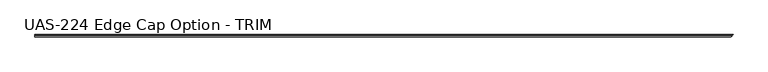
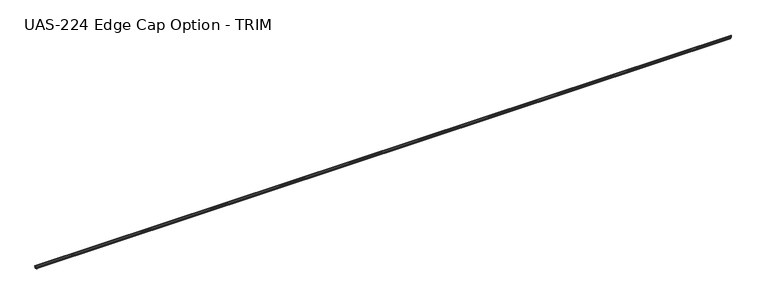
"""IFC4 building model written with IfcOpenShell, lengths in millimetres: proxy geometry, UAS-224 Edge Cap Option - TRIM."""

import ifcopenshell
import ifcopenshell.guid

model = None  # the IFC model being written
_history = None  # IfcOwnerHistory: only IFC2X3 demands one
_inside = {}  # id of a spatial element -> (the spatial element, [elements in it])
_under = {}  # id of a project, library or spatial element -> (it, [spatial elements below it])
_declared = {}  # id of a project -> (the project, [libraries it declares])
_typed = {}  # id of a type object -> (the type object, [elements of that type])
_made_of = {}  # id of a material, layer set ... -> (it, [elements and type objects made of it])


def new_model(schema):
    """Start an empty IFC model of exactly this schema.

    Asked for "IFC4X3", IfcOpenShell would pick the latest addendum, in which some entities
    have other attributes; the version numbers below select the first issue.
    IFC2X3 requires an IfcOwnerHistory on every rooted entity: one is made here for all.
    """
    global model, _history
    if schema == "IFC4X3":
        model = ifcopenshell.file(schema_version=(4, 3, 0, 0))
    else:
        model = ifcopenshell.file(schema=schema)
    _inside.clear()
    _under.clear()
    _declared.clear()
    _typed.clear()
    _made_of.clear()
    _history = None
    if model.schema == "IFC2X3":
        org = make("IfcOrganization", Name="unknown")
        user = make(
            "IfcPersonAndOrganization",
            ThePerson=make("IfcPerson", FamilyName="unknown"),
            TheOrganization=org,
        )
        app = make(
            "IfcApplication",
            ApplicationDeveloper=org,
            Version="unknown",
            ApplicationFullName="unknown",
            ApplicationIdentifier="unknown",
        )
        _history = make(
            "IfcOwnerHistory",
            OwningUser=user,
            OwningApplication=app,
            ChangeAction="ADDED",
            CreationDate=0,
        )
    return model


def make(cls, **values):
    """One entity of the class cls with the attributes given. An attribute that is None is left unset."""
    return model.create_entity(
        cls, **{name: value for name, value in values.items() if value is not None}
    )


def rooted(cls, **values):
    """An entity with a GlobalId (a new one), such as an element, a storey or a relation."""
    return make(cls, GlobalId=ifcopenshell.guid.new(), OwnerHistory=_history, **values)


def si_unit(unit_type, name, prefix=None):
    """IfcSIUnit, for example si_unit("LENGTHUNIT", "METRE", prefix="MILLI")."""
    return make("IfcSIUnit", UnitType=unit_type, Prefix=prefix, Name=name)


def assignment(units):
    """IfcUnitAssignment: the units of a project."""
    return None if units is None else make("IfcUnitAssignment", Units=units)


def point(xyz):
    """IfcCartesianPoint."""
    return None if xyz is None else make("IfcCartesianPoint", Coordinates=xyz)


def direction(xyz):
    """IfcDirection."""
    return None if xyz is None else make("IfcDirection", DirectionRatios=xyz)


def frame(location, z_axis=None, x_axis=None):
    """IfcAxis2Placement3D, a coordinate frame: its origin and axes. An axis left out is left unset."""
    return make(
        "IfcAxis2Placement3D",
        Location=point(location),
        Axis=direction(z_axis),
        RefDirection=direction(x_axis),
    )


def origin():
    """The frame at (0, 0, 0) with its axes left unset."""
    return frame((0.0, 0.0, 0.0))


def place(relative_to, where):
    """IfcLocalPlacement: puts the frame where relative to a parent placement (None: the world)."""
    return make(
        "IfcLocalPlacement", PlacementRelTo=relative_to, RelativePlacement=where
    )


def context(
    kind, dimensions, precision=None, world=None, true_north=None, identifier=None
):
    """IfcGeometricRepresentationContext, for example the 3D "Model" context."""
    return make(
        "IfcGeometricRepresentationContext",
        ContextIdentifier=identifier,
        ContextType=kind,
        CoordinateSpaceDimension=dimensions,
        Precision=precision,
        WorldCoordinateSystem=world,
        TrueNorth=true_north,
    )


def project(units=None, contexts=None):
    """IfcProject with its units and contexts."""
    return rooted(
        "IfcProject",
        Name="project",
        RepresentationContexts=contexts,
        UnitsInContext=assignment(units),
    )


def spatial(cls, under=None, at=None, **own):
    """A site, building, storey or space (cls), placed at a placement, below another one or the project."""
    s = rooted(cls, ObjectPlacement=at, **own)
    if under is not None:
        _under.setdefault(under.id(), (under, []))[1].append(s)
    return s


def circle_curve(where, radius):
    """IfcCircle in the frame where."""
    return make("IfcCircle", Position=where, Radius=radius)


def ellipse_curve(where, semi_axis1, semi_axis2):
    """IfcEllipse in the frame where."""
    return make(
        "IfcEllipse", Position=where, SemiAxis1=semi_axis1, SemiAxis2=semi_axis2
    )


def shape(context_of_items, identifier, shape_type, items):
    """IfcShapeRepresentation: the items that make up one representation, for example the "Body"."""
    return make(
        "IfcShapeRepresentation",
        ContextOfItems=context_of_items,
        RepresentationIdentifier=identifier,
        RepresentationType=shape_type,
        Items=items,
    )


def source(mapping_origin, context_of_items, identifier, shape_type, items):
    """IfcRepresentationMap: a shape defined once, which mapped items show again and again."""
    return make(
        "IfcRepresentationMap",
        MappingOrigin=mapping_origin,
        MappedRepresentation=shape(context_of_items, identifier, shape_type, items),
    )


def transform(
    local_origin,
    x_axis=None,
    y_axis=None,
    z_axis=None,
    scale=None,
    scale2=None,
    scale3=None,
    uniform=True,
):
    """IfcCartesianTransformationOperator3D, or its non-uniform kind. x_axis, y_axis, z_axis: its Axis1, 2, 3."""
    if uniform:
        return make(
            "IfcCartesianTransformationOperator3D",
            Axis1=direction(x_axis),
            Axis2=direction(y_axis),
            LocalOrigin=point(local_origin),
            Scale=scale,
            Axis3=direction(z_axis),
        )
    return make(
        "IfcCartesianTransformationOperator3DnonUniform",
        Axis1=direction(x_axis),
        Axis2=direction(y_axis),
        LocalOrigin=point(local_origin),
        Scale=scale,
        Axis3=direction(z_axis),
        Scale2=scale2,
        Scale3=scale3,
    )


def mapped(mapping_source, mapping_target):
    """IfcMappedItem: shows the shape of a source again, moved by a transform."""
    return make(
        "IfcMappedItem", MappingSource=mapping_source, MappingTarget=mapping_target
    )


def made_of(thing, what):
    """Note that an element or type object is made of a material, layer set ...; save() writes the relation."""
    if what is not None:
        _made_of.setdefault(what.id(), (what, []))[1].append(thing)
    return thing


def element(
    cls,
    number,
    at=None,
    inside=None,
    cuts=None,
    type_object=None,
    material=None,
    context=None,
    identifier="Body",
    shape_type=None,
    held_by="IfcProductDefinitionShape",
    body=None,
    shapes=None,
    **own,
):
    """One element of the class cls, such as IfcWall. Its Tag is "e" and its number.

    at: its placement. inside: the storey or other place that contains it. cuts: it is an
    opening in that element (IfcRelVoidsElement). A single representation is given by context,
    identifier, shape_type and body (its items); several are given by shapes. held_by: the class
    of the entity that holds the representations. save() writes the other relations.
    """
    e = rooted(cls, Tag="e%d" % number, ObjectPlacement=at, **own)
    if body is not None:
        shapes = [shape(context, identifier, shape_type, body)]
    if shapes is not None:
        e.Representation = make(held_by, Representations=shapes)
    if inside is not None:
        _inside.setdefault(inside.id(), (inside, []))[1].append(e)
    if cuts is not None:
        rooted(
            "IfcRelVoidsElement", RelatingBuildingElement=cuts, RelatedOpeningElement=e
        )
    if type_object is not None:
        _typed.setdefault(type_object.id(), (type_object, []))[1].append(e)
    return made_of(e, material)


def aggregate(whole, parts):
    """IfcRelAggregates: a whole, such as a stair, and the parts it consists of."""
    return rooted("IfcRelAggregates", RelatingObject=whole, RelatedObjects=parts)


def save(model, path):
    """Write the relations noted so far, then the file.

    IfcRelAggregates (storeys below a building ...), IfcRelContainedInSpatialStructure (elements
    in a storey), IfcRelDefinesByType, IfcRelAssociatesMaterial and IfcRelDeclares: one each for
    every whole, place, type object, material and project.
    """
    for whole, parts in _under.values():
        aggregate(whole, parts)
    for where, things in _inside.values():
        rooted(
            "IfcRelContainedInSpatialStructure",
            RelatedElements=things,
            RelatingStructure=where,
        )
    for kind, things in _typed.values():
        rooted("IfcRelDefinesByType", RelatedObjects=things, RelatingType=kind)
    for what, things in _made_of.values():
        rooted("IfcRelAssociatesMaterial", RelatedObjects=things, RelatingMaterial=what)
    for by, libraries in _declared.values():
        rooted("IfcRelDeclares", RelatingContext=by, RelatedDefinitions=libraries)
    model.write(path)


def plane_surface(at):
    """IfcPlane: the flat surface through the origin of the frame at, square to its z axis."""
    return make("IfcPlane", Position=at)


def cylinder_surface(at, radius):
    """IfcCylindricalSurface: all points at the distance radius from the z axis of the frame at."""
    return make("IfcCylindricalSurface", Position=at, Radius=radius)


def advanced_brep(points, edges, surfaces, faces):
    """IfcAdvancedBrep: a solid bounded by faces that lie on surfaces and meet in shared edges.

    An edge is (start, end): straight between two places in points (the first is 0);
    or (start, end, curve); or (start, end, curve, False) where it runs against its curve.
    A face is (place in surfaces, loops), or (place, loops, False) where it looks against
    its surface's normal. A loop lists edges by number (the first is 1), with a minus sign
    where the edge is run from its end to its start. The first loop is the outer one.
    """
    corners = [point(p) for p in points]
    vertices = [make("IfcVertexPoint", VertexGeometry=c) for c in corners]
    made = []
    for start, end, *more in edges:
        made.append(
            make(
                "IfcEdgeCurve",
                EdgeStart=vertices[start],
                EdgeEnd=vertices[end],
                EdgeGeometry=more[0] if more else make("IfcPolyline", Points=[corners[start], corners[end]]),
                SameSense=more[1] if len(more) > 1 else True,
            )
        )
    hull = []
    for where, loops, *sense in faces:
        bounds = []
        for j, loop in enumerate(loops):
            ring = [make("IfcOrientedEdge", EdgeElement=made[abs(k) - 1], Orientation=k > 0) for k in loop]
            bounds.append(
                make(
                    "IfcFaceOuterBound" if j == 0 else "IfcFaceBound",
                    Bound=make("IfcEdgeLoop", EdgeList=ring),
                    Orientation=True,
                )
            )
        hull.append(make("IfcAdvancedFace", Bounds=bounds, FaceSurface=surfaces[where], SameSense=sense[0] if sense else True))
    return make("IfcAdvancedBrep", Outer=make("IfcClosedShell", CfsFaces=hull))


def uas_224_edge_cap_option_trim_392db360(model_context):
    return source(origin(), model_context, "Body", "AdvancedBrep", [
        advanced_brep(
        [(0.0, 9.83615, 14.2875), (0.0, 13.01115, 14.2875), (0.0, 17.4398781, 14.2875), (0.0, 17.4398781, 12.7), (0.0, 12.18565, 12.7), (0.0, 12.18565, 3.175), (0.0, 17.4398781, 3.175), (0.0, 17.4398781, 1.5875), (0.0, 13.01115, 1.5875), (0.0, 9.83615, 1.5875), (0.0, 0.0, 1.5875), (0.0, 0.0, 2.8080426), (0.0, 0.5981599, 3.4062025), (0.0, 1.3929204, 3.4062025), (0.0, 2.1509032, 3.1452081), (0.0, 2.9088859, 3.4062025), (0.0, 3.6668687, 3.1452081), (0.0, 4.4248515, 3.4062025), (0.0, 5.1828342, 3.1452081), (0.0, 5.940817, 3.4062025), (0.0, 6.798801, 3.1452081), (0.0, 7.5567838, 3.4062025), (0.0, 8.316831, 3.175), (0.0, 10.66165, 3.175), (0.0, 10.66165, 6.35), (0.0, 10.9168139, 7.1888169), (0.0, 10.9168139, 8.6861831), (0.0, 10.66165, 9.525), (0.0, 10.66165, 12.7), (0.0, 8.316831, 12.7), (0.0, 7.5567838, 12.4687975), (0.0, 6.798801, 12.7297919), (0.0, 5.940817, 12.4687975), (0.0, 5.1828342, 12.7297919), (0.0, 4.4248515, 12.4687975), (0.0, 3.6668687, 12.7297919), (0.0, 2.9088859, 12.4687975), (0.0, 2.1509032, 12.7297919), (0.0, 1.3929204, 12.4687975), (0.0, 0.5981599, 12.4687975), (0.0, 0.0, 13.0669574), (0.0, 0.0, 14.2875), (5362.0023094, 0.0, 14.2875), (5371.8384594, 9.83615, 14.2875), (5362.0023094, 0.0, 13.0669574), (5362.6004693, 0.5981599, 12.4687975), (5363.3952298, 1.3929204, 12.4687975), (5364.1532125, 2.1509032, 12.7297919), (5364.9111953, 2.9088859, 12.4687975), (5365.6691781, 3.6668687, 12.7297919), (5366.4271608, 4.4248515, 12.4687975), (5367.1851436, 5.1828342, 12.7297919), (5367.9431264, 5.940817, 12.4687975), (5368.8011104, 6.798801, 12.7297919), (5369.5590932, 7.5567838, 12.4687975), (5370.3191404, 8.316831, 12.7), (5372.6639594, 10.66165, 12.7), (5372.6639594, 10.66165, 9.525), (5372.9191232, 10.9168139, 8.6861831), (5372.9191232, 10.9168139, 7.1888169), (5372.6639594, 10.66165, 6.35), (5372.6639594, 10.66165, 3.175), (5370.3191404, 8.316831, 3.175), (5369.5590932, 7.5567838, 3.4062025), (5368.8011104, 6.798801, 3.1452081), (5367.9431264, 5.940817, 3.4062025), (5367.1851436, 5.1828342, 3.1452081), (5366.4271608, 4.4248515, 3.4062025), (5365.6691781, 3.6668687, 3.1452081), (5364.9111953, 2.9088859, 3.4062025), (5364.1532125, 2.1509032, 3.1452081), (5363.3952298, 1.3929204, 3.4062025), (5362.6004693, 0.5981599, 3.4062025), (5362.0023094, 0.0, 2.8080426), (5362.0023094, 0.0, 1.5875), (5371.8384594, 9.83615, 1.5875), (5375.0134594, 13.01115, 1.5875), (5373.4259594, 11.42365, 0.0), (5379.4421875, 17.4398781, 1.5875), (5379.4421875, 17.4398781, 3.175), (5374.1879594, 12.18565, 3.175), (5374.1879594, 12.18565, 12.7), (5379.4421875, 17.4398781, 12.7), (5379.4421875, 17.4398781, 14.2875), (5375.0134594, 13.01115, 14.2875)],
        [
            (0, 1, circle_curve(frame((0.0, 11.42365, 14.2875), z_axis=(-1.0, 0.0, 0.0), x_axis=(0.0, 1.0, 0.0)), 1.5875)),
            (1, 2),
            (2, 3),
            (3, 4),
            (4, 5),
            (5, 6),
            (6, 7),
            (7, 8),
            (8, 9, circle_curve(frame((0.0, 11.42365, 1.5875), z_axis=(-1.0, 0.0, 0.0), x_axis=(0.0, 1.0, 0.0)), 1.5875)),
            (9, 10),
            (10, 11),
            (11, 12, circle_curve(frame((0.0, 0.5981599, 2.8080426), z_axis=(-1.0, 0.0, 0.0), x_axis=(0.0, 1.0, 0.0)), 0.5981599)),
            (12, 13),
            (13, 14),
            (14, 15),
            (15, 16),
            (16, 17),
            (17, 18),
            (18, 19),
            (19, 20),
            (20, 21),
            (21, 22),
            (22, 23),
            (23, 24),
            (24, 25),
            (25, 26),
            (26, 27),
            (27, 28),
            (28, 29),
            (29, 30),
            (30, 31),
            (31, 32),
            (32, 33),
            (33, 34),
            (34, 35),
            (35, 36),
            (36, 37),
            (37, 38),
            (38, 39),
            (39, 40, circle_curve(frame((0.0, 0.5981599, 13.0669574), z_axis=(-1.0, 0.0, 0.0), x_axis=(0.0, 1.0, 0.0)), 0.5981599)),
            (40, 41),
            (41, 0),
            (41, 42),
            (42, 43),
            (43, 0),
            (40, 44),
            (44, 42),
            (39, 45),
            (45, 44, ellipse_curve(frame((5362.6004693, 0.5981599, 13.0669574), z_axis=(-0.707106781186549, 0.7071067811865461, 0.0), x_axis=(0.7071067811865459, 0.707106781186549, 0.0)), 0.8459259, 0.5981599)),
            (38, 46),
            (46, 45),
            (37, 47),
            (47, 46),
            (36, 48),
            (48, 47),
            (35, 49),
            (49, 48),
            (34, 50),
            (50, 49),
            (33, 51),
            (51, 50),
            (32, 52),
            (52, 51),
            (31, 53),
            (53, 52),
            (30, 54),
            (54, 53),
            (29, 55),
            (55, 54),
            (28, 56),
            (56, 55),
            (27, 57),
            (57, 56),
            (26, 58),
            (58, 57),
            (25, 59),
            (59, 58),
            (24, 60),
            (60, 59),
            (23, 61),
            (61, 60),
            (22, 62),
            (62, 61),
            (21, 63),
            (63, 62),
            (20, 64),
            (64, 63),
            (19, 65),
            (65, 64),
            (18, 66),
            (66, 65),
            (17, 67),
            (67, 66),
            (16, 68),
            (68, 67),
            (15, 69),
            (69, 68),
            (14, 70),
            (70, 69),
            (13, 71),
            (71, 70),
            (12, 72),
            (72, 71),
            (11, 73),
            (73, 72, ellipse_curve(frame((5362.6004693, 0.5981599, 2.8080426), z_axis=(-0.707106781186549, 0.7071067811865461, 0.0), x_axis=(0.7071067811865459, 0.707106781186549, 0.0)), 0.8459259, 0.5981599)),
            (10, 74),
            (74, 73),
            (9, 75),
            (75, 74),
            (8, 76),
            (76, 77, ellipse_curve(frame((5373.4259594, 11.42365, 1.5875), z_axis=(-0.707106781186549, 0.7071067811865461, 0.0), x_axis=(0.7071067811865459, 0.707106781186549, 0.0)), 2.245064, 1.5875)),
            (77, 75, ellipse_curve(frame((5373.4259594, 11.42365, 1.5875), z_axis=(-0.707106781186549, 0.7071067811865461, 0.0), x_axis=(0.7071067811865459, 0.707106781186549, 0.0)), 2.245064, 1.5875)),
            (7, 78),
            (78, 76),
            (6, 79),
            (79, 78),
            (5, 80),
            (80, 79),
            (4, 81),
            (81, 80),
            (3, 82),
            (82, 81),
            (2, 83),
            (83, 82),
            (1, 84),
            (84, 83),
            (43, 84, ellipse_curve(frame((5373.4259594, 11.42365, 14.2875), z_axis=(-0.707106781186549, 0.7071067811865461, 0.0), x_axis=(0.7071067811865459, 0.707106781186549, 0.0)), 2.245064, 1.5875)),
        ],
        [
            plane_surface(frame((0.0, 13.01115, 14.2875), z_axis=(-1.0, 0.0, 0.0), x_axis=(0.0, 0.0, 1.0))),
            plane_surface(frame((5379.4421875, 0.0, 14.2875), z_axis=(0.0, 1.1740124689071009e-12, 1.0), x_axis=(-1.0, 0.0, 0.0))),
            plane_surface(frame((5379.4421875, 0.0, 13.0669574), z_axis=(0.0, -1.0, 0.0), x_axis=(-1.0, 0.0, 0.0))),
            cylinder_surface(frame((0.0, 0.5981599, 13.0669574), z_axis=(1.0, 0.0, 0.0), x_axis=(0.0, 1.0, 0.0)), 0.5981599),
            plane_surface(frame((5379.4421875, 1.3929204, 12.4687975), z_axis=(0.0, 0.0, -1.0), x_axis=(-1.0, 0.0, 0.0))),
            plane_surface(frame((5379.4421875, 2.1509032, 12.7297919), z_axis=(0.0, 0.32556815445715337, -0.945518575599318), x_axis=(-1.0, 0.0, 0.0))),
            plane_surface(frame((5379.4421875, 2.9088859, 12.4687975), z_axis=(0.0, -0.3255681544571601, -0.9455185755993156), x_axis=(-1.0, 0.0, 0.0))),
            plane_surface(frame((5379.4421875, 3.6668687, 12.7297919), z_axis=(0.0, 0.3255681544571535, -0.945518575599318), x_axis=(-1.0, 0.0, 0.0))),
            plane_surface(frame((5379.4421875, 4.4248515, 12.4687975), z_axis=(0.0, -0.3255681544571602, -0.9455185755993156), x_axis=(-1.0, 0.0, 0.0))),
            plane_surface(frame((5379.4421875, 5.1828342, 12.7297919), z_axis=(0.0, 0.32556815445715653, -0.945518575599317), x_axis=(-1.0, 0.0, 0.0))),
            plane_surface(frame((5379.4421875, 5.940817, 12.4687975), z_axis=(0.0, -0.32556815445716, -0.9455185755993156), x_axis=(-1.0, 0.0, 0.0))),
            plane_surface(frame((5379.4421875, 6.798801, 12.7297919), z_axis=(0.0, 0.29102774283877636, -0.9567146141343128), x_axis=(-1.0, 0.0, 0.0))),
            plane_surface(frame((5379.4421875, 7.5567838, 12.4687975), z_axis=(0.0, -0.32556815445716, -0.9455185755993156), x_axis=(-1.0, 0.0, 0.0))),
            plane_surface(frame((5379.4421875, 8.316831, 12.7), z_axis=(0.0, 0.2910277428387799, -0.9567146141343118), x_axis=(-1.0, 0.0, 0.0))),
            plane_surface(frame((5379.4421875, 10.66165, 12.7), z_axis=(0.0, 0.0, -1.0), x_axis=(-1.0, 0.0, 0.0))),
            plane_surface(frame((5379.4421875, 10.66165, 9.525), z_axis=(0.0, -1.0, 0.0), x_axis=(-1.0, 0.0, 0.0))),
            plane_surface(frame((5379.4421875, 10.9168139, 8.6861831), z_axis=(0.0, -0.9567146141343112, -0.2910277428387818), x_axis=(-1.0, 0.0, 0.0))),
            plane_surface(frame((5379.4421875, 10.9168139, 7.1888169), z_axis=(0.0, -1.0, 0.0), x_axis=(-1.0, 0.0, 0.0))),
            plane_surface(frame((5379.4421875, 10.66165, 6.35), z_axis=(0.0, -0.9567146141343096, 0.29102774283878713), x_axis=(-1.0, 0.0, 0.0))),
            plane_surface(frame((5379.4421875, 10.66165, 3.175), z_axis=(0.0, -1.0, 0.0), x_axis=(-1.0, 0.0, 0.0))),
            plane_surface(frame((5379.4421875, 8.316831, 3.175), z_axis=(0.0, 0.0, 1.0), x_axis=(-1.0, 0.0, 0.0))),
            plane_surface(frame((5379.4421875, 7.5567838, 3.4062025), z_axis=(0.0, 0.2910277428387864, 0.9567146141343098), x_axis=(-1.0, 0.0, 0.0))),
            plane_surface(frame((5379.4421875, 6.798801, 3.1452081), z_axis=(0.0, -0.32556815445715465, 0.9455185755993175), x_axis=(-1.0, 0.0, 0.0))),
            plane_surface(frame((5379.4421875, 5.940817, 3.4062025), z_axis=(0.0, 0.29102774283878274, 0.956714614134311), x_axis=(-1.0, 0.0, 0.0))),
            plane_surface(frame((5379.4421875, 5.1828342, 3.1452081), z_axis=(0.0, -0.32556815445715365, 0.9455185755993178), x_axis=(-1.0, 0.0, 0.0))),
            plane_surface(frame((5379.4421875, 4.4248515, 3.4062025), z_axis=(0.0, 0.3255681544571627, 0.9455185755993147), x_axis=(-1.0, 0.0, 0.0))),
            plane_surface(frame((5379.4421875, 3.6668687, 3.1452081), z_axis=(0.0, -0.32556815445715365, 0.945518575599318), x_axis=(-1.0, 0.0, 0.0))),
            plane_surface(frame((5379.4421875, 2.9088859, 3.4062025), z_axis=(0.0, 0.32556815445715964, 0.9455185755993158), x_axis=(-1.0, 0.0, 0.0))),
            plane_surface(frame((5379.4421875, 2.1509032, 3.1452081), z_axis=(0.0, -0.32556815445715426, 0.9455185755993176), x_axis=(-1.0, 0.0, 0.0))),
            plane_surface(frame((5379.4421875, 1.3929204, 3.4062025), z_axis=(0.0, 0.3255681544571603, 0.9455185755993156), x_axis=(-1.0, 0.0, 0.0))),
            plane_surface(frame((5379.4421875, 0.5981599, 3.4062025), z_axis=(0.0, 0.0, 1.0), x_axis=(-1.0, 0.0, 0.0))),
            cylinder_surface(frame((0.0, 0.5981599, 2.8080426), z_axis=(1.0, 0.0, 0.0), x_axis=(0.0, 1.0, 0.0)), 0.5981599),
            plane_surface(frame((5379.4421875, 0.0, 1.5875), z_axis=(0.0, -1.0, 0.0), x_axis=(-1.0, 0.0, 0.0))),
            plane_surface(frame((5379.4421875, 9.83615, 1.5875), z_axis=(0.0, 0.0, -1.0), x_axis=(-1.0, 0.0, 0.0))),
            cylinder_surface(frame((0.0, 11.42365, 1.5875), z_axis=(1.0, 0.0, 0.0), x_axis=(0.0, 1.0, 0.0)), 1.5875),
            plane_surface(frame((5379.4421875, 17.4398781, 1.5875), z_axis=(0.0, 0.0, -1.0), x_axis=(-1.0, 0.0, 0.0))),
            plane_surface(frame((5379.4421875, 17.4398781, 3.175), z_axis=(0.0, 1.0, 0.0), x_axis=(-1.0, 0.0, 0.0))),
            plane_surface(frame((5379.4421875, 12.18565, 3.175), z_axis=(0.0, 0.0, 1.0), x_axis=(-1.0, 0.0, 0.0))),
            plane_surface(frame((5379.4421875, 12.18565, 12.7), z_axis=(0.0, 1.0, 0.0), x_axis=(-1.0, 0.0, 0.0))),
            plane_surface(frame((5379.4421875, 17.4398781, 12.7), z_axis=(0.0, 0.0, -1.0), x_axis=(-1.0, 0.0, 0.0))),
            plane_surface(frame((5379.4421875, 17.4398781, 14.2875), z_axis=(0.0, 1.0, 0.0), x_axis=(-1.0, 0.0, 0.0))),
            plane_surface(frame((5379.4421875, 13.01115, 14.2875), z_axis=(0.0, 0.0, 1.0), x_axis=(-1.0, 0.0, 0.0))),
            cylinder_surface(frame((0.0, 11.42365, 14.2875), z_axis=(1.0, 0.0, 0.0), x_axis=(0.0, 1.0, 0.0)), 1.5875),
            plane_surface(frame((5362.0023094, 0.0, 15.959544), z_axis=(0.707106781186549, -0.7071067811865461, 0.0), x_axis=(0.0, 0.0, -1.0))),
        ],
        [
            (0, [[1, 2, 3, 4, 5, 6, 7, 8, 9, 10, 11, 12, 13, 14, 15, 16, 17, 18, 19, 20, 21, 22, 23, 24, 25, 26, 27, 28, 29, 30, 31, 32, 33, 34, 35, 36, 37, 38, 39, 40, 41, 42]]),
            (1, [[43, 44, 45, -42]]),
            (2, [[46, 47, -43, -41]]),
            (3, [[48, 49, -46, -40]]),
            (4, [[50, 51, -48, -39]]),
            (5, [[52, 53, -50, -38]]),
            (6, [[54, 55, -52, -37]]),
            (7, [[56, 57, -54, -36]]),
            (8, [[58, 59, -56, -35]]),
            (9, [[60, 61, -58, -34]]),
            (10, [[62, 63, -60, -33]]),
            (11, [[64, 65, -62, -32]]),
            (12, [[66, 67, -64, -31]]),
            (13, [[68, 69, -66, -30]]),
            (14, [[70, 71, -68, -29]]),
            (15, [[72, 73, -70, -28]]),
            (16, [[74, 75, -72, -27]]),
            (17, [[76, 77, -74, -26]]),
            (18, [[78, 79, -76, -25]]),
            (19, [[80, 81, -78, -24]]),
            (20, [[82, 83, -80, -23]]),
            (21, [[84, 85, -82, -22]]),
            (22, [[86, 87, -84, -21]]),
            (23, [[88, 89, -86, -20]]),
            (24, [[90, 91, -88, -19]]),
            (25, [[92, 93, -90, -18]]),
            (26, [[94, 95, -92, -17]]),
            (27, [[96, 97, -94, -16]]),
            (28, [[98, 99, -96, -15]]),
            (29, [[100, 101, -98, -14]]),
            (30, [[102, 103, -100, -13]]),
            (31, [[104, 105, -102, -12]]),
            (32, [[106, 107, -104, -11]]),
            (33, [[108, 109, -106, -10]]),
            (34, [[110, 111, 112, -108, -9]]),
            (35, [[113, 114, -110, -8]]),
            (36, [[115, 116, -113, -7]]),
            (37, [[117, 118, -115, -6]]),
            (38, [[119, 120, -117, -5]]),
            (39, [[121, 122, -119, -4]]),
            (40, [[123, 124, -121, -3]]),
            (41, [[125, 126, -123, -2]]),
            (42, [[-45, 127, -125, -1]]),
            (43, [[-47, -49, -51, -53, -55, -57, -59, -61, -63, -65, -67, -69, -71, -73, -75, -77, -79, -81, -83, -85, -87, -89, -91, -93, -95, -97, -99, -101, -103, -105, -107, -109, -112, -111, -114, -116, -118, -120, -122, -124, -126, -127, -44]]),
        ],
    ),
    ])


if __name__ == "__main__":
    model = new_model("IFC4")
    model_context = context("Model", 3, world=origin())
    ifc_project = project(units=[si_unit("LENGTHUNIT", "METRE", prefix="MILLI")], contexts=[model_context])
    site = spatial("IfcSite", under=ifc_project)
    building = spatial("IfcBuilding", under=site)
    placement = place(None, origin())
    uas_224_edge_cap_option_trim_shape = uas_224_edge_cap_option_trim_392db360(model_context)
    element("IfcBuildingElementProxy", 1, Name="UAS-224 Edge Cap Option - TRIM", ObjectType="UAS-224 Edge Cap Option - TRIM", at=placement, inside=building, context=model_context, shape_type="MappedRepresentation", body=[
        mapped(uas_224_edge_cap_option_trim_shape, transform((0.0, 0.0, 0.0), x_axis=(1.0, 0.0, 0.0), y_axis=(0.0, 1.0, 0.0), z_axis=(0.0, 0.0, 1.0))),
    ])
    save(model, "model.ifc")
